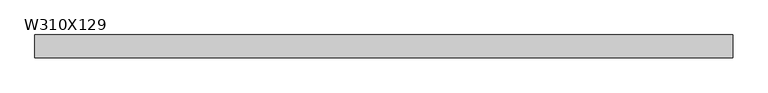
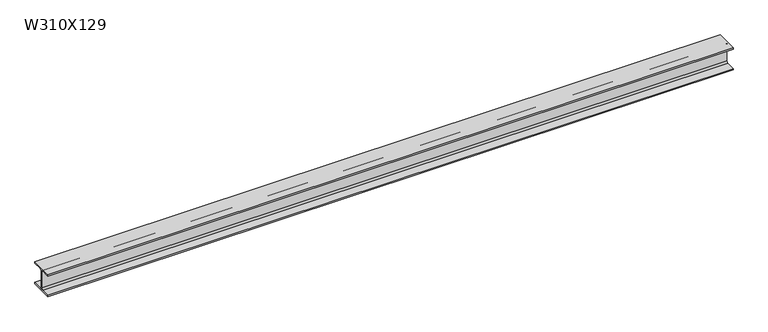
"""IFC4 building model written with IfcOpenShell, lengths in millimetres: beam geometry, W310X129."""

from ifc_helpers import new_model, si_unit, point, frame, frame_2d, origin, place, context, project, spatial, polyline, circle_curve, trimmed, segment, composite_curve, outline, extrude, source, transform, mapped, element, save


def w310x129_dc917c88(model_context):
    return source(origin(), model_context, "Body", "SweptSolid", [
        extrude(outline(composite_curve([segment(polyline([(153.5, -138.4), (153.5, -159.0), (-153.5, -159.0), (-153.5, -138.4), (-28.85, -138.4)]), True, "CONTINUOUS"), segment(trimmed(circle_curve(frame_2d((-28.85, -116.1)), 22.3), [point((-28.85, -138.4))], [point((-6.55, -116.1))], True, "CARTESIAN"), True, "CONTINUOUS"), segment(polyline([(-6.55, -116.1), (-6.55, 116.1)]), True, "CONTINUOUS"), segment(trimmed(circle_curve(frame_2d((-28.85, 116.1)), 22.3), [point((-6.55, 116.1))], [point((-28.85, 138.4))], True, "CARTESIAN"), True, "CONTINUOUS"), segment(polyline([(-28.85, 138.4), (-153.5, 138.4), (-153.5, 159.0), (153.5, 159.0), (153.5, 138.4), (28.85, 138.4)]), True, "CONTINUOUS"), segment(trimmed(circle_curve(frame_2d((28.85, 116.1)), 22.3), [point((28.85, 138.4))], [point((6.55, 116.1))], True, "CARTESIAN"), True, "CONTINUOUS"), segment(polyline([(6.55, 116.1), (6.55, -116.1)]), True, "CONTINUOUS"), segment(trimmed(circle_curve(frame_2d((28.85, -116.1)), 22.3), [point((6.55, -116.1))], [point((28.85, -138.4))], True, "CARTESIAN"), True, "CONTINUOUS"), segment(polyline([(28.85, -138.4), (153.5, -138.4)]), True, "CONTINUOUS")], self_intersect=False)), frame((-4659.3474517, 0.0, 0.0), z_axis=(1.0, 0.0, 0.0), x_axis=(0.0, 1.0, 0.0)), (0.0, 0.0, 1.0), 9318.6949034),
    ])


if __name__ == "__main__":
    model = new_model("IFC4")
    model_context = context("Model", 3, world=origin())
    ifc_project = project(units=[si_unit("LENGTHUNIT", "METRE", prefix="MILLI")], contexts=[model_context])
    site = spatial("IfcSite", under=ifc_project)
    building = spatial("IfcBuilding", under=site)
    placement = place(None, origin())
    w310x129_shape = w310x129_dc917c88(model_context)
    element("IfcBeam", 1, ObjectType="W310X129", at=placement, inside=building, context=model_context, shape_type="MappedRepresentation", body=[
        mapped(w310x129_shape, transform((0.0, 0.0, 0.0), x_axis=(1.0, 0.0, 0.0), y_axis=(0.0, 1.0, 0.0), z_axis=(0.0, 0.0, 1.0))),
    ])
    save(model, "model.ifc")
